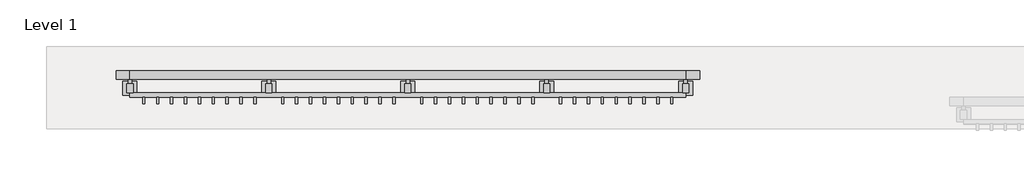
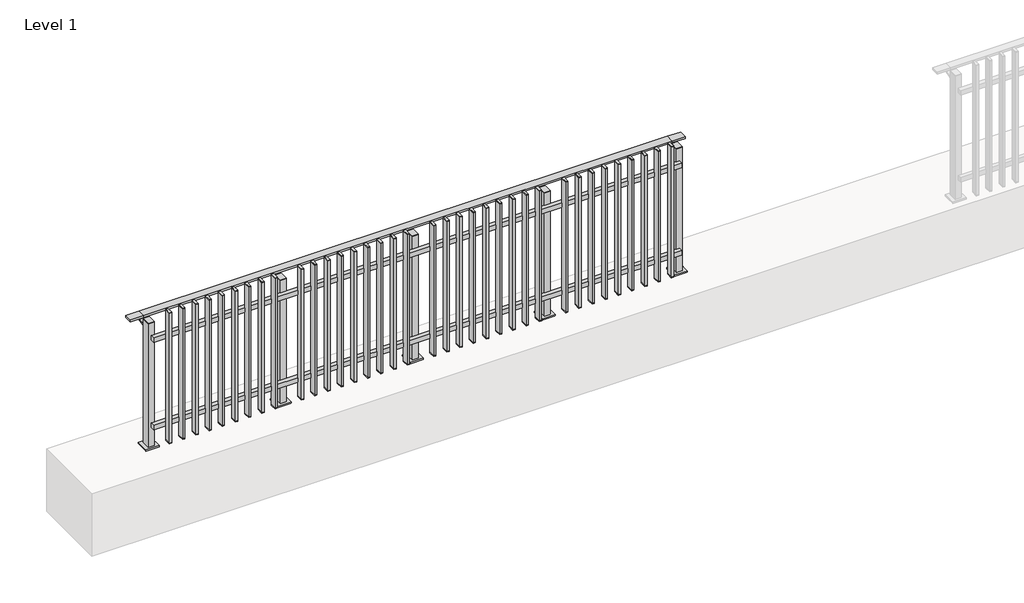
# One storey, part 5 of 17: 1 railing.
"""IFC4 building model written with IfcOpenShell, lengths in millimetres."""

from ifc_helpers import new_model, si_unit, point, frame, frame_2d, origin, origin_with_axes, place, context, project, spatial, polyline, circle_curve, trimmed, segment, composite_curve, outline, extrude, faceted_brep, element, save

model = new_model("IFC4")

# Units and contexts
model_context = context("Model", 3, world=origin())
ifc_project = project(units=[si_unit("LENGTHUNIT", "METRE", prefix="MILLI")], contexts=[model_context])

# Site, building, storey
site = spatial("IfcSite", under=ifc_project)
building = spatial("IfcBuilding", under=site)
storey = spatial("IfcBuildingStorey", under=building, Name="Level 1", Elevation=0.0)

# Railing
placement = place(None, origin())
element("IfcRailing", 1, at=placement, inside=storey, context=model_context, shape_type="SolidModel", body=[
    faceted_brep([(0.0, 2815.6846828, 985.0), (0.0, 2815.6846828, 1000.0), (4000.0, 2815.6846828, 1000.0), (4000.0, 2815.6846828, 985.0), (0.0, 2755.6846828, 985.0), (4000.0, 2755.6846828, 985.0), (0.0, 2755.6846828, 1000.0), (4000.0, 2755.6846828, 1000.0), (-100.0, 2815.6846828, 1000.0), (-100.0, 2815.6846828, 985.0), (-100.0, 2755.6846828, 985.0), (-100.0, 2755.6846828, 1000.0), (4100.0, 2815.6846828, 1000.0), (4100.0, 2755.6846828, 1000.0), (4100.0, 2755.6846828, 985.0), (4100.0, 2815.6846828, 985.0)], [[[0, 1, 2, 3]], [[4, 0, 3, 5]], [[6, 4, 5, 7]], [[1, 6, 7, 2]], [[8, 9, 10, 11]], [[9, 8, 1, 0]], [[10, 9, 0, 4]], [[11, 10, 4, 6]], [[8, 11, 6, 1]], [[12, 13, 14, 15]], [[3, 2, 12, 15]], [[5, 3, 15, 14]], [[7, 5, 14, 13]], [[2, 7, 13, 12]]]),
    extrude(outline(polyline([(0.0, 2625.6846828), (0.0, 2657.6846828), (4000.0, 2657.6846828), (4000.0, 2625.6846828), (0.0, 2625.6846828)])), frame((0.0, 0.0, 164.0), z_axis=(0.0, 0.0, 1.0), x_axis=(1.0, 0.0, 0.0)), (0.0, 0.0, 1.0), 36.0),
    extrude(outline(polyline([(0.0, 2625.6846828), (0.0, 2657.6846828), (4000.0, 2657.6846828), (4000.0, 2625.6846828), (0.0, 2625.6846828)])), frame((0.0, 0.0, 864.0), z_axis=(0.0, 0.0, 1.0), x_axis=(1.0, 0.0, 0.0)), (0.0, 0.0, 1.0), 36.0),
    extrude(outline(polyline([(3908.5, 2625.6846828), (3908.5, 2576.6846828), (3891.5, 2576.6846828), (3891.5, 2625.6846828), (3908.5, 2625.6846828)])), frame((0.0, 0.0, 50.0), z_axis=(0.0, 0.0, 1.0), x_axis=(1.0, 0.0, 0.0)), (0.0, 0.0, 1.0), 5.0),
    extrude(outline(polyline([(3908.5, 2625.6846828), (3908.5, 2576.6846828), (3891.5, 2576.6846828), (3891.5, 2625.6846828), (3908.5, 2625.6846828)])), frame((0.0, 0.0, 1095.0), z_axis=(0.0, 0.0, 1.0), x_axis=(1.0, 0.0, 0.0)), (0.0, 0.0, 1.0), 5.0),
    extrude(outline(polyline([(3891.5, 2576.6846828), (3891.5, 2625.6846828), (3908.5, 2625.6846828), (3908.5, 2576.6846828), (3891.5, 2576.6846828)])), frame((0.0, 0.0, 55.0), z_axis=(0.0, 0.0, 1.0), x_axis=(1.0, 0.0, 0.0)), (0.0, 0.0, 1.0), 1040.0),
    extrude(outline(polyline([(3808.5, 2625.6846828), (3808.5, 2576.6846828), (3791.5, 2576.6846828), (3791.5, 2625.6846828), (3808.5, 2625.6846828)])), frame((0.0, 0.0, 50.0), z_axis=(0.0, 0.0, 1.0), x_axis=(1.0, 0.0, 0.0)), (0.0, 0.0, 1.0), 5.0),
    extrude(outline(polyline([(3808.5, 2625.6846828), (3808.5, 2576.6846828), (3791.5, 2576.6846828), (3791.5, 2625.6846828), (3808.5, 2625.6846828)])), frame((0.0, 0.0, 1095.0), z_axis=(0.0, 0.0, 1.0), x_axis=(1.0, 0.0, 0.0)), (0.0, 0.0, 1.0), 5.0),
    extrude(outline(polyline([(3791.5, 2576.6846828), (3791.5, 2625.6846828), (3808.5, 2625.6846828), (3808.5, 2576.6846828), (3791.5, 2576.6846828)])), frame((0.0, 0.0, 55.0), z_axis=(0.0, 0.0, 1.0), x_axis=(1.0, 0.0, 0.0)), (0.0, 0.0, 1.0), 1040.0),
    extrude(outline(polyline([(3708.5, 2625.6846828), (3708.5, 2576.6846828), (3691.5, 2576.6846828), (3691.5, 2625.6846828), (3708.5, 2625.6846828)])), frame((0.0, 0.0, 50.0), z_axis=(0.0, 0.0, 1.0), x_axis=(1.0, 0.0, 0.0)), (0.0, 0.0, 1.0), 5.0),
    extrude(outline(polyline([(3708.5, 2625.6846828), (3708.5, 2576.6846828), (3691.5, 2576.6846828), (3691.5, 2625.6846828), (3708.5, 2625.6846828)])), frame((0.0, 0.0, 1095.0), z_axis=(0.0, 0.0, 1.0), x_axis=(1.0, 0.0, 0.0)), (0.0, 0.0, 1.0), 5.0),
    extrude(outline(polyline([(3691.5, 2576.6846828), (3691.5, 2625.6846828), (3708.5, 2625.6846828), (3708.5, 2576.6846828), (3691.5, 2576.6846828)])), frame((0.0, 0.0, 55.0), z_axis=(0.0, 0.0, 1.0), x_axis=(1.0, 0.0, 0.0)), (0.0, 0.0, 1.0), 1040.0),
    extrude(outline(polyline([(3608.5, 2625.6846828), (3608.5, 2576.6846828), (3591.5, 2576.6846828), (3591.5, 2625.6846828), (3608.5, 2625.6846828)])), frame((0.0, 0.0, 50.0), z_axis=(0.0, 0.0, 1.0), x_axis=(1.0, 0.0, 0.0)), (0.0, 0.0, 1.0), 5.0),
    extrude(outline(polyline([(3608.5, 2625.6846828), (3608.5, 2576.6846828), (3591.5, 2576.6846828), (3591.5, 2625.6846828), (3608.5, 2625.6846828)])), frame((0.0, 0.0, 1095.0), z_axis=(0.0, 0.0, 1.0), x_axis=(1.0, 0.0, 0.0)), (0.0, 0.0, 1.0), 5.0),
    extrude(outline(polyline([(3591.5, 2576.6846828), (3591.5, 2625.6846828), (3608.5, 2625.6846828), (3608.5, 2576.6846828), (3591.5, 2576.6846828)])), frame((0.0, 0.0, 55.0), z_axis=(0.0, 0.0, 1.0), x_axis=(1.0, 0.0, 0.0)), (0.0, 0.0, 1.0), 1040.0),
    extrude(outline(polyline([(3508.5, 2625.6846828), (3508.5, 2576.6846828), (3491.5, 2576.6846828), (3491.5, 2625.6846828), (3508.5, 2625.6846828)])), frame((0.0, 0.0, 50.0), z_axis=(0.0, 0.0, 1.0), x_axis=(1.0, 0.0, 0.0)), (0.0, 0.0, 1.0), 5.0),
    extrude(outline(polyline([(3508.5, 2625.6846828), (3508.5, 2576.6846828), (3491.5, 2576.6846828), (3491.5, 2625.6846828), (3508.5, 2625.6846828)])), frame((0.0, 0.0, 1095.0), z_axis=(0.0, 0.0, 1.0), x_axis=(1.0, 0.0, 0.0)), (0.0, 0.0, 1.0), 5.0),
    extrude(outline(polyline([(3491.5, 2576.6846828), (3491.5, 2625.6846828), (3508.5, 2625.6846828), (3508.5, 2576.6846828), (3491.5, 2576.6846828)])), frame((0.0, 0.0, 55.0), z_axis=(0.0, 0.0, 1.0), x_axis=(1.0, 0.0, 0.0)), (0.0, 0.0, 1.0), 1040.0),
    extrude(outline(polyline([(3408.5, 2625.6846828), (3408.5, 2576.6846828), (3391.5, 2576.6846828), (3391.5, 2625.6846828), (3408.5, 2625.6846828)])), frame((0.0, 0.0, 50.0), z_axis=(0.0, 0.0, 1.0), x_axis=(1.0, 0.0, 0.0)), (0.0, 0.0, 1.0), 5.0),
    extrude(outline(polyline([(3408.5, 2625.6846828), (3408.5, 2576.6846828), (3391.5, 2576.6846828), (3391.5, 2625.6846828), (3408.5, 2625.6846828)])), frame((0.0, 0.0, 1095.0), z_axis=(0.0, 0.0, 1.0), x_axis=(1.0, 0.0, 0.0)), (0.0, 0.0, 1.0), 5.0),
    extrude(outline(polyline([(3391.5, 2576.6846828), (3391.5, 2625.6846828), (3408.5, 2625.6846828), (3408.5, 2576.6846828), (3391.5, 2576.6846828)])), frame((0.0, 0.0, 55.0), z_axis=(0.0, 0.0, 1.0), x_axis=(1.0, 0.0, 0.0)), (0.0, 0.0, 1.0), 1040.0),
    extrude(outline(polyline([(3308.5, 2625.6846828), (3308.5, 2576.6846828), (3291.5, 2576.6846828), (3291.5, 2625.6846828), (3308.5, 2625.6846828)])), frame((0.0, 0.0, 50.0), z_axis=(0.0, 0.0, 1.0), x_axis=(1.0, 0.0, 0.0)), (0.0, 0.0, 1.0), 5.0),
    extrude(outline(polyline([(3308.5, 2625.6846828), (3308.5, 2576.6846828), (3291.5, 2576.6846828), (3291.5, 2625.6846828), (3308.5, 2625.6846828)])), frame((0.0, 0.0, 1095.0), z_axis=(0.0, 0.0, 1.0), x_axis=(1.0, 0.0, 0.0)), (0.0, 0.0, 1.0), 5.0),
    extrude(outline(polyline([(3291.5, 2576.6846828), (3291.5, 2625.6846828), (3308.5, 2625.6846828), (3308.5, 2576.6846828), (3291.5, 2576.6846828)])), frame((0.0, 0.0, 55.0), z_axis=(0.0, 0.0, 1.0), x_axis=(1.0, 0.0, 0.0)), (0.0, 0.0, 1.0), 1040.0),
    extrude(outline(polyline([(3208.5, 2625.6846828), (3208.5, 2576.6846828), (3191.5, 2576.6846828), (3191.5, 2625.6846828), (3208.5, 2625.6846828)])), frame((0.0, 0.0, 50.0), z_axis=(0.0, 0.0, 1.0), x_axis=(1.0, 0.0, 0.0)), (0.0, 0.0, 1.0), 5.0),
    extrude(outline(polyline([(3208.5, 2625.6846828), (3208.5, 2576.6846828), (3191.5, 2576.6846828), (3191.5, 2625.6846828), (3208.5, 2625.6846828)])), frame((0.0, 0.0, 1095.0), z_axis=(0.0, 0.0, 1.0), x_axis=(1.0, 0.0, 0.0)), (0.0, 0.0, 1.0), 5.0),
    extrude(outline(polyline([(3191.5, 2576.6846828), (3191.5, 2625.6846828), (3208.5, 2625.6846828), (3208.5, 2576.6846828), (3191.5, 2576.6846828)])), frame((0.0, 0.0, 55.0), z_axis=(0.0, 0.0, 1.0), x_axis=(1.0, 0.0, 0.0)), (0.0, 0.0, 1.0), 1040.0),
    extrude(outline(polyline([(3108.5, 2625.6846828), (3108.5, 2576.6846828), (3091.5, 2576.6846828), (3091.5, 2625.6846828), (3108.5, 2625.6846828)])), frame((0.0, 0.0, 50.0), z_axis=(0.0, 0.0, 1.0), x_axis=(1.0, 0.0, 0.0)), (0.0, 0.0, 1.0), 5.0),
    extrude(outline(polyline([(3108.5, 2625.6846828), (3108.5, 2576.6846828), (3091.5, 2576.6846828), (3091.5, 2625.6846828), (3108.5, 2625.6846828)])), frame((0.0, 0.0, 1095.0), z_axis=(0.0, 0.0, 1.0), x_axis=(1.0, 0.0, 0.0)), (0.0, 0.0, 1.0), 5.0),
    extrude(outline(polyline([(3091.5, 2576.6846828), (3091.5, 2625.6846828), (3108.5, 2625.6846828), (3108.5, 2576.6846828), (3091.5, 2576.6846828)])), frame((0.0, 0.0, 55.0), z_axis=(0.0, 0.0, 1.0), x_axis=(1.0, 0.0, 0.0)), (0.0, 0.0, 1.0), 1040.0),
    extrude(outline(composite_curve([segment(polyline([(2810.6846828, 985.0), (2810.6846828, 960.900037)]), True, "CONTINUOUS"), segment(trimmed(circle_curve(frame_2d((2800.6846828, 960.900037)), 10.0), [point((2810.6846828, 960.900037))], [point((2803.2728733, 951.2407787))], False, "CARTESIAN"), True, "CONTINUOUS"), segment(polyline([(2803.2728733, 951.2407787), (2746.2244733, 935.9547061)]), True, "CONTINUOUS"), segment(trimmed(circle_curve(frame_2d((2748.8126638, 926.2954478)), 10.0), [point((2746.2244733, 935.9547061))], [point((2738.8982152, 927.6007097))], True, "CARTESIAN"), True, "CONTINUOUS"), segment(polyline([(2738.8982152, 927.6007097), (2734.291393, 892.6084214)]), True, "CONTINUOUS"), segment(trimmed(circle_curve(frame_2d((2731.3170584, 893.0)), 3.0), [point((2734.291393, 892.6084214))], [point((2731.3170584, 890.0))], False, "CARTESIAN"), True, "CONTINUOUS"), segment(polyline([(2731.3170584, 890.0), (2722.6846828, 890.0), (2722.6846828, 940.0), (2786.6846828, 957.1487483), (2786.6846828, 985.0), (2810.6846828, 985.0)]), True, "CONTINUOUS")], self_intersect=False)), frame((2987.5, 0.0, 0.0), z_axis=(1.0, 0.0, 0.0), x_axis=(0.0, 1.0, 0.0)), (0.0, 0.0, 1.0), 25.0),
    extrude(outline(polyline([(3022.5, 2722.6846828), (3022.5, 2657.6846828), (2977.5, 2657.6846828), (2977.5, 2722.6846828), (3022.5, 2722.6846828)])), frame((0.0, 0.0, 1000.0), z_axis=(0.0, 0.0, 1.0), x_axis=(1.0, 0.0, 0.0)), (0.0, 0.0, 1.0), 5.0),
    extrude(outline(polyline([(3050.0, 2740.1846828), (3050.0, 2640.1846828), (2950.0, 2640.1846828), (2950.0, 2740.1846828), (3050.0, 2740.1846828)])), origin_with_axes(), (0.0, 0.0, 1.0), 12.0),
    extrude(outline(polyline([(3022.5, 2722.6846828), (3022.5, 2657.6846828), (2977.5, 2657.6846828), (2977.5, 2722.6846828), (3022.5, 2722.6846828)])), frame((0.0, 0.0, 12.0), z_axis=(0.0, 0.0, 1.0), x_axis=(1.0, 0.0, 0.0)), (0.0, 0.0, 1.0), 988.0),
    extrude(outline(polyline([(2908.5, 2625.6846828), (2908.5, 2576.6846828), (2891.5, 2576.6846828), (2891.5, 2625.6846828), (2908.5, 2625.6846828)])), frame((0.0, 0.0, 50.0), z_axis=(0.0, 0.0, 1.0), x_axis=(1.0, 0.0, 0.0)), (0.0, 0.0, 1.0), 5.0),
    extrude(outline(polyline([(2908.5, 2625.6846828), (2908.5, 2576.6846828), (2891.5, 2576.6846828), (2891.5, 2625.6846828), (2908.5, 2625.6846828)])), frame((0.0, 0.0, 1095.0), z_axis=(0.0, 0.0, 1.0), x_axis=(1.0, 0.0, 0.0)), (0.0, 0.0, 1.0), 5.0),
    extrude(outline(polyline([(2891.5, 2576.6846828), (2891.5, 2625.6846828), (2908.5, 2625.6846828), (2908.5, 2576.6846828), (2891.5, 2576.6846828)])), frame((0.0, 0.0, 55.0), z_axis=(0.0, 0.0, 1.0), x_axis=(1.0, 0.0, 0.0)), (0.0, 0.0, 1.0), 1040.0),
    extrude(outline(polyline([(2808.5, 2625.6846828), (2808.5, 2576.6846828), (2791.5, 2576.6846828), (2791.5, 2625.6846828), (2808.5, 2625.6846828)])), frame((0.0, 0.0, 50.0), z_axis=(0.0, 0.0, 1.0), x_axis=(1.0, 0.0, 0.0)), (0.0, 0.0, 1.0), 5.0),
    extrude(outline(polyline([(2808.5, 2625.6846828), (2808.5, 2576.6846828), (2791.5, 2576.6846828), (2791.5, 2625.6846828), (2808.5, 2625.6846828)])), frame((0.0, 0.0, 1095.0), z_axis=(0.0, 0.0, 1.0), x_axis=(1.0, 0.0, 0.0)), (0.0, 0.0, 1.0), 5.0),
    extrude(outline(polyline([(2791.5, 2576.6846828), (2791.5, 2625.6846828), (2808.5, 2625.6846828), (2808.5, 2576.6846828), (2791.5, 2576.6846828)])), frame((0.0, 0.0, 55.0), z_axis=(0.0, 0.0, 1.0), x_axis=(1.0, 0.0, 0.0)), (0.0, 0.0, 1.0), 1040.0),
    extrude(outline(polyline([(2708.5, 2625.6846828), (2708.5, 2576.6846828), (2691.5, 2576.6846828), (2691.5, 2625.6846828), (2708.5, 2625.6846828)])), frame((0.0, 0.0, 50.0), z_axis=(0.0, 0.0, 1.0), x_axis=(1.0, 0.0, 0.0)), (0.0, 0.0, 1.0), 5.0),
    extrude(outline(polyline([(2708.5, 2625.6846828), (2708.5, 2576.6846828), (2691.5, 2576.6846828), (2691.5, 2625.6846828), (2708.5, 2625.6846828)])), frame((0.0, 0.0, 1095.0), z_axis=(0.0, 0.0, 1.0), x_axis=(1.0, 0.0, 0.0)), (0.0, 0.0, 1.0), 5.0),
    extrude(outline(polyline([(2691.5, 2576.6846828), (2691.5, 2625.6846828), (2708.5, 2625.6846828), (2708.5, 2576.6846828), (2691.5, 2576.6846828)])), frame((0.0, 0.0, 55.0), z_axis=(0.0, 0.0, 1.0), x_axis=(1.0, 0.0, 0.0)), (0.0, 0.0, 1.0), 1040.0),
    extrude(outline(polyline([(2608.5, 2625.6846828), (2608.5, 2576.6846828), (2591.5, 2576.6846828), (2591.5, 2625.6846828), (2608.5, 2625.6846828)])), frame((0.0, 0.0, 50.0), z_axis=(0.0, 0.0, 1.0), x_axis=(1.0, 0.0, 0.0)), (0.0, 0.0, 1.0), 5.0),
    extrude(outline(polyline([(2608.5, 2625.6846828), (2608.5, 2576.6846828), (2591.5, 2576.6846828), (2591.5, 2625.6846828), (2608.5, 2625.6846828)])), frame((0.0, 0.0, 1095.0), z_axis=(0.0, 0.0, 1.0), x_axis=(1.0, 0.0, 0.0)), (0.0, 0.0, 1.0), 5.0),
    extrude(outline(polyline([(2591.5, 2576.6846828), (2591.5, 2625.6846828), (2608.5, 2625.6846828), (2608.5, 2576.6846828), (2591.5, 2576.6846828)])), frame((0.0, 0.0, 55.0), z_axis=(0.0, 0.0, 1.0), x_axis=(1.0, 0.0, 0.0)), (0.0, 0.0, 1.0), 1040.0),
    extrude(outline(polyline([(2508.5, 2625.6846828), (2508.5, 2576.6846828), (2491.5, 2576.6846828), (2491.5, 2625.6846828), (2508.5, 2625.6846828)])), frame((0.0, 0.0, 50.0), z_axis=(0.0, 0.0, 1.0), x_axis=(1.0, 0.0, 0.0)), (0.0, 0.0, 1.0), 5.0),
    extrude(outline(polyline([(2508.5, 2625.6846828), (2508.5, 2576.6846828), (2491.5, 2576.6846828), (2491.5, 2625.6846828), (2508.5, 2625.6846828)])), frame((0.0, 0.0, 1095.0), z_axis=(0.0, 0.0, 1.0), x_axis=(1.0, 0.0, 0.0)), (0.0, 0.0, 1.0), 5.0),
    extrude(outline(polyline([(2491.5, 2576.6846828), (2491.5, 2625.6846828), (2508.5, 2625.6846828), (2508.5, 2576.6846828), (2491.5, 2576.6846828)])), frame((0.0, 0.0, 55.0), z_axis=(0.0, 0.0, 1.0), x_axis=(1.0, 0.0, 0.0)), (0.0, 0.0, 1.0), 1040.0),
    extrude(outline(polyline([(2408.5, 2625.6846828), (2408.5, 2576.6846828), (2391.5, 2576.6846828), (2391.5, 2625.6846828), (2408.5, 2625.6846828)])), frame((0.0, 0.0, 50.0), z_axis=(0.0, 0.0, 1.0), x_axis=(1.0, 0.0, 0.0)), (0.0, 0.0, 1.0), 5.0),
    extrude(outline(polyline([(2408.5, 2625.6846828), (2408.5, 2576.6846828), (2391.5, 2576.6846828), (2391.5, 2625.6846828), (2408.5, 2625.6846828)])), frame((0.0, 0.0, 1095.0), z_axis=(0.0, 0.0, 1.0), x_axis=(1.0, 0.0, 0.0)), (0.0, 0.0, 1.0), 5.0),
    extrude(outline(polyline([(2391.5, 2576.6846828), (2391.5, 2625.6846828), (2408.5, 2625.6846828), (2408.5, 2576.6846828), (2391.5, 2576.6846828)])), frame((0.0, 0.0, 55.0), z_axis=(0.0, 0.0, 1.0), x_axis=(1.0, 0.0, 0.0)), (0.0, 0.0, 1.0), 1040.0),
    extrude(outline(polyline([(2308.5, 2625.6846828), (2308.5, 2576.6846828), (2291.5, 2576.6846828), (2291.5, 2625.6846828), (2308.5, 2625.6846828)])), frame((0.0, 0.0, 50.0), z_axis=(0.0, 0.0, 1.0), x_axis=(1.0, 0.0, 0.0)), (0.0, 0.0, 1.0), 5.0),
    extrude(outline(polyline([(2308.5, 2625.6846828), (2308.5, 2576.6846828), (2291.5, 2576.6846828), (2291.5, 2625.6846828), (2308.5, 2625.6846828)])), frame((0.0, 0.0, 1095.0), z_axis=(0.0, 0.0, 1.0), x_axis=(1.0, 0.0, 0.0)), (0.0, 0.0, 1.0), 5.0),
    extrude(outline(polyline([(2291.5, 2576.6846828), (2291.5, 2625.6846828), (2308.5, 2625.6846828), (2308.5, 2576.6846828), (2291.5, 2576.6846828)])), frame((0.0, 0.0, 55.0), z_axis=(0.0, 0.0, 1.0), x_axis=(1.0, 0.0, 0.0)), (0.0, 0.0, 1.0), 1040.0),
    extrude(outline(polyline([(2208.5, 2625.6846828), (2208.5, 2576.6846828), (2191.5, 2576.6846828), (2191.5, 2625.6846828), (2208.5, 2625.6846828)])), frame((0.0, 0.0, 50.0), z_axis=(0.0, 0.0, 1.0), x_axis=(1.0, 0.0, 0.0)), (0.0, 0.0, 1.0), 5.0),
    extrude(outline(polyline([(2208.5, 2625.6846828), (2208.5, 2576.6846828), (2191.5, 2576.6846828), (2191.5, 2625.6846828), (2208.5, 2625.6846828)])), frame((0.0, 0.0, 1095.0), z_axis=(0.0, 0.0, 1.0), x_axis=(1.0, 0.0, 0.0)), (0.0, 0.0, 1.0), 5.0),
    extrude(outline(polyline([(2191.5, 2576.6846828), (2191.5, 2625.6846828), (2208.5, 2625.6846828), (2208.5, 2576.6846828), (2191.5, 2576.6846828)])), frame((0.0, 0.0, 55.0), z_axis=(0.0, 0.0, 1.0), x_axis=(1.0, 0.0, 0.0)), (0.0, 0.0, 1.0), 1040.0),
    extrude(outline(polyline([(2108.5, 2625.6846828), (2108.5, 2576.6846828), (2091.5, 2576.6846828), (2091.5, 2625.6846828), (2108.5, 2625.6846828)])), frame((0.0, 0.0, 50.0), z_axis=(0.0, 0.0, 1.0), x_axis=(1.0, 0.0, 0.0)), (0.0, 0.0, 1.0), 5.0),
    extrude(outline(polyline([(2108.5, 2625.6846828), (2108.5, 2576.6846828), (2091.5, 2576.6846828), (2091.5, 2625.6846828), (2108.5, 2625.6846828)])), frame((0.0, 0.0, 1095.0), z_axis=(0.0, 0.0, 1.0), x_axis=(1.0, 0.0, 0.0)), (0.0, 0.0, 1.0), 5.0),
    extrude(outline(polyline([(2091.5, 2576.6846828), (2091.5, 2625.6846828), (2108.5, 2625.6846828), (2108.5, 2576.6846828), (2091.5, 2576.6846828)])), frame((0.0, 0.0, 55.0), z_axis=(0.0, 0.0, 1.0), x_axis=(1.0, 0.0, 0.0)), (0.0, 0.0, 1.0), 1040.0),
    extrude(outline(composite_curve([segment(polyline([(2810.6846828, 985.0), (2810.6846828, 960.900037)]), True, "CONTINUOUS"), segment(trimmed(circle_curve(frame_2d((2800.6846828, 960.900037)), 10.0), [point((2810.6846828, 960.900037))], [point((2803.2728733, 951.2407787))], False, "CARTESIAN"), True, "CONTINUOUS"), segment(polyline([(2803.2728733, 951.2407787), (2746.2244733, 935.9547061)]), True, "CONTINUOUS"), segment(trimmed(circle_curve(frame_2d((2748.8126638, 926.2954478)), 10.0), [point((2746.2244733, 935.9547061))], [point((2738.8982152, 927.6007097))], True, "CARTESIAN"), True, "CONTINUOUS"), segment(polyline([(2738.8982152, 927.6007097), (2734.291393, 892.6084214)]), True, "CONTINUOUS"), segment(trimmed(circle_curve(frame_2d((2731.3170584, 893.0)), 3.0), [point((2734.291393, 892.6084214))], [point((2731.3170584, 890.0))], False, "CARTESIAN"), True, "CONTINUOUS"), segment(polyline([(2731.3170584, 890.0), (2722.6846828, 890.0), (2722.6846828, 940.0), (2786.6846828, 957.1487483), (2786.6846828, 985.0), (2810.6846828, 985.0)]), True, "CONTINUOUS")], self_intersect=False)), frame((1987.5, 0.0, 0.0), z_axis=(1.0, 0.0, 0.0), x_axis=(0.0, 1.0, 0.0)), (0.0, 0.0, 1.0), 25.0),
    extrude(outline(polyline([(2022.5, 2722.6846828), (2022.5, 2657.6846828), (1977.5, 2657.6846828), (1977.5, 2722.6846828), (2022.5, 2722.6846828)])), frame((0.0, 0.0, 1000.0), z_axis=(0.0, 0.0, 1.0), x_axis=(1.0, 0.0, 0.0)), (0.0, 0.0, 1.0), 5.0),
    extrude(outline(polyline([(2050.0, 2740.1846828), (2050.0, 2640.1846828), (1950.0, 2640.1846828), (1950.0, 2740.1846828), (2050.0, 2740.1846828)])), origin_with_axes(), (0.0, 0.0, 1.0), 12.0),
    extrude(outline(polyline([(2022.5, 2722.6846828), (2022.5, 2657.6846828), (1977.5, 2657.6846828), (1977.5, 2722.6846828), (2022.5, 2722.6846828)])), frame((0.0, 0.0, 12.0), z_axis=(0.0, 0.0, 1.0), x_axis=(1.0, 0.0, 0.0)), (0.0, 0.0, 1.0), 988.0),
    extrude(outline(polyline([(1908.5, 2625.6846828), (1908.5, 2576.6846828), (1891.5, 2576.6846828), (1891.5, 2625.6846828), (1908.5, 2625.6846828)])), frame((0.0, 0.0, 50.0), z_axis=(0.0, 0.0, 1.0), x_axis=(1.0, 0.0, 0.0)), (0.0, 0.0, 1.0), 5.0),
    extrude(outline(polyline([(1908.5, 2625.6846828), (1908.5, 2576.6846828), (1891.5, 2576.6846828), (1891.5, 2625.6846828), (1908.5, 2625.6846828)])), frame((0.0, 0.0, 1095.0), z_axis=(0.0, 0.0, 1.0), x_axis=(1.0, 0.0, 0.0)), (0.0, 0.0, 1.0), 5.0),
    extrude(outline(polyline([(1891.5, 2576.6846828), (1891.5, 2625.6846828), (1908.5, 2625.6846828), (1908.5, 2576.6846828), (1891.5, 2576.6846828)])), frame((0.0, 0.0, 55.0), z_axis=(0.0, 0.0, 1.0), x_axis=(1.0, 0.0, 0.0)), (0.0, 0.0, 1.0), 1040.0),
    extrude(outline(polyline([(1808.5, 2625.6846828), (1808.5, 2576.6846828), (1791.5, 2576.6846828), (1791.5, 2625.6846828), (1808.5, 2625.6846828)])), frame((0.0, 0.0, 50.0), z_axis=(0.0, 0.0, 1.0), x_axis=(1.0, 0.0, 0.0)), (0.0, 0.0, 1.0), 5.0),
    extrude(outline(polyline([(1808.5, 2625.6846828), (1808.5, 2576.6846828), (1791.5, 2576.6846828), (1791.5, 2625.6846828), (1808.5, 2625.6846828)])), frame((0.0, 0.0, 1095.0), z_axis=(0.0, 0.0, 1.0), x_axis=(1.0, 0.0, 0.0)), (0.0, 0.0, 1.0), 5.0),
    extrude(outline(polyline([(1791.5, 2576.6846828), (1791.5, 2625.6846828), (1808.5, 2625.6846828), (1808.5, 2576.6846828), (1791.5, 2576.6846828)])), frame((0.0, 0.0, 55.0), z_axis=(0.0, 0.0, 1.0), x_axis=(1.0, 0.0, 0.0)), (0.0, 0.0, 1.0), 1040.0),
    extrude(outline(polyline([(1708.5, 2625.6846828), (1708.5, 2576.6846828), (1691.5, 2576.6846828), (1691.5, 2625.6846828), (1708.5, 2625.6846828)])), frame((0.0, 0.0, 50.0), z_axis=(0.0, 0.0, 1.0), x_axis=(1.0, 0.0, 0.0)), (0.0, 0.0, 1.0), 5.0),
    extrude(outline(polyline([(1708.5, 2625.6846828), (1708.5, 2576.6846828), (1691.5, 2576.6846828), (1691.5, 2625.6846828), (1708.5, 2625.6846828)])), frame((0.0, 0.0, 1095.0), z_axis=(0.0, 0.0, 1.0), x_axis=(1.0, 0.0, 0.0)), (0.0, 0.0, 1.0), 5.0),
    extrude(outline(polyline([(1691.5, 2576.6846828), (1691.5, 2625.6846828), (1708.5, 2625.6846828), (1708.5, 2576.6846828), (1691.5, 2576.6846828)])), frame((0.0, 0.0, 55.0), z_axis=(0.0, 0.0, 1.0), x_axis=(1.0, 0.0, 0.0)), (0.0, 0.0, 1.0), 1040.0),
    extrude(outline(polyline([(1608.5, 2625.6846828), (1608.5, 2576.6846828), (1591.5, 2576.6846828), (1591.5, 2625.6846828), (1608.5, 2625.6846828)])), frame((0.0, 0.0, 50.0), z_axis=(0.0, 0.0, 1.0), x_axis=(1.0, 0.0, 0.0)), (0.0, 0.0, 1.0), 5.0),
    extrude(outline(polyline([(1608.5, 2625.6846828), (1608.5, 2576.6846828), (1591.5, 2576.6846828), (1591.5, 2625.6846828), (1608.5, 2625.6846828)])), frame((0.0, 0.0, 1095.0), z_axis=(0.0, 0.0, 1.0), x_axis=(1.0, 0.0, 0.0)), (0.0, 0.0, 1.0), 5.0),
    extrude(outline(polyline([(1591.5, 2576.6846828), (1591.5, 2625.6846828), (1608.5, 2625.6846828), (1608.5, 2576.6846828), (1591.5, 2576.6846828)])), frame((0.0, 0.0, 55.0), z_axis=(0.0, 0.0, 1.0), x_axis=(1.0, 0.0, 0.0)), (0.0, 0.0, 1.0), 1040.0),
    extrude(outline(polyline([(1508.5, 2625.6846828), (1508.5, 2576.6846828), (1491.5, 2576.6846828), (1491.5, 2625.6846828), (1508.5, 2625.6846828)])), frame((0.0, 0.0, 50.0), z_axis=(0.0, 0.0, 1.0), x_axis=(1.0, 0.0, 0.0)), (0.0, 0.0, 1.0), 5.0),
    extrude(outline(polyline([(1508.5, 2625.6846828), (1508.5, 2576.6846828), (1491.5, 2576.6846828), (1491.5, 2625.6846828), (1508.5, 2625.6846828)])), frame((0.0, 0.0, 1095.0), z_axis=(0.0, 0.0, 1.0), x_axis=(1.0, 0.0, 0.0)), (0.0, 0.0, 1.0), 5.0),
    extrude(outline(polyline([(1491.5, 2576.6846828), (1491.5, 2625.6846828), (1508.5, 2625.6846828), (1508.5, 2576.6846828), (1491.5, 2576.6846828)])), frame((0.0, 0.0, 55.0), z_axis=(0.0, 0.0, 1.0), x_axis=(1.0, 0.0, 0.0)), (0.0, 0.0, 1.0), 1040.0),
    extrude(outline(polyline([(1408.5, 2625.6846828), (1408.5, 2576.6846828), (1391.5, 2576.6846828), (1391.5, 2625.6846828), (1408.5, 2625.6846828)])), frame((0.0, 0.0, 50.0), z_axis=(0.0, 0.0, 1.0), x_axis=(1.0, 0.0, 0.0)), (0.0, 0.0, 1.0), 5.0),
    extrude(outline(polyline([(1408.5, 2625.6846828), (1408.5, 2576.6846828), (1391.5, 2576.6846828), (1391.5, 2625.6846828), (1408.5, 2625.6846828)])), frame((0.0, 0.0, 1095.0), z_axis=(0.0, 0.0, 1.0), x_axis=(1.0, 0.0, 0.0)), (0.0, 0.0, 1.0), 5.0),
    extrude(outline(polyline([(1391.5, 2576.6846828), (1391.5, 2625.6846828), (1408.5, 2625.6846828), (1408.5, 2576.6846828), (1391.5, 2576.6846828)])), frame((0.0, 0.0, 55.0), z_axis=(0.0, 0.0, 1.0), x_axis=(1.0, 0.0, 0.0)), (0.0, 0.0, 1.0), 1040.0),
    extrude(outline(polyline([(1308.5, 2625.6846828), (1308.5, 2576.6846828), (1291.5, 2576.6846828), (1291.5, 2625.6846828), (1308.5, 2625.6846828)])), frame((0.0, 0.0, 50.0), z_axis=(0.0, 0.0, 1.0), x_axis=(1.0, 0.0, 0.0)), (0.0, 0.0, 1.0), 5.0),
    extrude(outline(polyline([(1308.5, 2625.6846828), (1308.5, 2576.6846828), (1291.5, 2576.6846828), (1291.5, 2625.6846828), (1308.5, 2625.6846828)])), frame((0.0, 0.0, 1095.0), z_axis=(0.0, 0.0, 1.0), x_axis=(1.0, 0.0, 0.0)), (0.0, 0.0, 1.0), 5.0),
    extrude(outline(polyline([(1291.5, 2576.6846828), (1291.5, 2625.6846828), (1308.5, 2625.6846828), (1308.5, 2576.6846828), (1291.5, 2576.6846828)])), frame((0.0, 0.0, 55.0), z_axis=(0.0, 0.0, 1.0), x_axis=(1.0, 0.0, 0.0)), (0.0, 0.0, 1.0), 1040.0),
    extrude(outline(polyline([(1208.5, 2625.6846828), (1208.5, 2576.6846828), (1191.5, 2576.6846828), (1191.5, 2625.6846828), (1208.5, 2625.6846828)])), frame((0.0, 0.0, 50.0), z_axis=(0.0, 0.0, 1.0), x_axis=(1.0, 0.0, 0.0)), (0.0, 0.0, 1.0), 5.0),
    extrude(outline(polyline([(1208.5, 2625.6846828), (1208.5, 2576.6846828), (1191.5, 2576.6846828), (1191.5, 2625.6846828), (1208.5, 2625.6846828)])), frame((0.0, 0.0, 1095.0), z_axis=(0.0, 0.0, 1.0), x_axis=(1.0, 0.0, 0.0)), (0.0, 0.0, 1.0), 5.0),
    extrude(outline(polyline([(1191.5, 2576.6846828), (1191.5, 2625.6846828), (1208.5, 2625.6846828), (1208.5, 2576.6846828), (1191.5, 2576.6846828)])), frame((0.0, 0.0, 55.0), z_axis=(0.0, 0.0, 1.0), x_axis=(1.0, 0.0, 0.0)), (0.0, 0.0, 1.0), 1040.0),
    extrude(outline(polyline([(1108.5, 2625.6846828), (1108.5, 2576.6846828), (1091.5, 2576.6846828), (1091.5, 2625.6846828), (1108.5, 2625.6846828)])), frame((0.0, 0.0, 50.0), z_axis=(0.0, 0.0, 1.0), x_axis=(1.0, 0.0, 0.0)), (0.0, 0.0, 1.0), 5.0),
    extrude(outline(polyline([(1108.5, 2625.6846828), (1108.5, 2576.6846828), (1091.5, 2576.6846828), (1091.5, 2625.6846828), (1108.5, 2625.6846828)])), frame((0.0, 0.0, 1095.0), z_axis=(0.0, 0.0, 1.0), x_axis=(1.0, 0.0, 0.0)), (0.0, 0.0, 1.0), 5.0),
    extrude(outline(polyline([(1091.5, 2576.6846828), (1091.5, 2625.6846828), (1108.5, 2625.6846828), (1108.5, 2576.6846828), (1091.5, 2576.6846828)])), frame((0.0, 0.0, 55.0), z_axis=(0.0, 0.0, 1.0), x_axis=(1.0, 0.0, 0.0)), (0.0, 0.0, 1.0), 1040.0),
    extrude(outline(composite_curve([segment(polyline([(2810.6846828, 985.0), (2810.6846828, 960.900037)]), True, "CONTINUOUS"), segment(trimmed(circle_curve(frame_2d((2800.6846828, 960.900037)), 10.0), [point((2810.6846828, 960.900037))], [point((2803.2728733, 951.2407787))], False, "CARTESIAN"), True, "CONTINUOUS"), segment(polyline([(2803.2728733, 951.2407787), (2746.2244733, 935.9547061)]), True, "CONTINUOUS"), segment(trimmed(circle_curve(frame_2d((2748.8126638, 926.2954478)), 10.0), [point((2746.2244733, 935.9547061))], [point((2738.8982152, 927.6007097))], True, "CARTESIAN"), True, "CONTINUOUS"), segment(polyline([(2738.8982152, 927.6007097), (2734.291393, 892.6084214)]), True, "CONTINUOUS"), segment(trimmed(circle_curve(frame_2d((2731.3170584, 893.0)), 3.0), [point((2734.291393, 892.6084214))], [point((2731.3170584, 890.0))], False, "CARTESIAN"), True, "CONTINUOUS"), segment(polyline([(2731.3170584, 890.0), (2722.6846828, 890.0), (2722.6846828, 940.0), (2786.6846828, 957.1487483), (2786.6846828, 985.0), (2810.6846828, 985.0)]), True, "CONTINUOUS")], self_intersect=False)), frame((987.5, 0.0, 0.0), z_axis=(1.0, 0.0, 0.0), x_axis=(0.0, 1.0, 0.0)), (0.0, 0.0, 1.0), 25.0),
    extrude(outline(polyline([(1022.5, 2722.6846828), (1022.5, 2657.6846828), (977.5, 2657.6846828), (977.5, 2722.6846828), (1022.5, 2722.6846828)])), frame((0.0, 0.0, 1000.0), z_axis=(0.0, 0.0, 1.0), x_axis=(1.0, 0.0, 0.0)), (0.0, 0.0, 1.0), 5.0),
    extrude(outline(polyline([(1050.0, 2740.1846828), (1050.0, 2640.1846828), (950.0, 2640.1846828), (950.0, 2740.1846828), (1050.0, 2740.1846828)])), origin_with_axes(), (0.0, 0.0, 1.0), 12.0),
    extrude(outline(polyline([(1022.5, 2722.6846828), (1022.5, 2657.6846828), (977.5, 2657.6846828), (977.5, 2722.6846828), (1022.5, 2722.6846828)])), frame((0.0, 0.0, 12.0), z_axis=(0.0, 0.0, 1.0), x_axis=(1.0, 0.0, 0.0)), (0.0, 0.0, 1.0), 988.0),
    extrude(outline(polyline([(908.5, 2625.6846828), (908.5, 2576.6846828), (891.5, 2576.6846828), (891.5, 2625.6846828), (908.5, 2625.6846828)])), frame((0.0, 0.0, 50.0), z_axis=(0.0, 0.0, 1.0), x_axis=(1.0, 0.0, 0.0)), (0.0, 0.0, 1.0), 5.0),
    extrude(outline(polyline([(908.5, 2625.6846828), (908.5, 2576.6846828), (891.5, 2576.6846828), (891.5, 2625.6846828), (908.5, 2625.6846828)])), frame((0.0, 0.0, 1095.0), z_axis=(0.0, 0.0, 1.0), x_axis=(1.0, 0.0, 0.0)), (0.0, 0.0, 1.0), 5.0),
    extrude(outline(polyline([(891.5, 2576.6846828), (891.5, 2625.6846828), (908.5, 2625.6846828), (908.5, 2576.6846828), (891.5, 2576.6846828)])), frame((0.0, 0.0, 55.0), z_axis=(0.0, 0.0, 1.0), x_axis=(1.0, 0.0, 0.0)), (0.0, 0.0, 1.0), 1040.0),
    extrude(outline(polyline([(808.5, 2625.6846828), (808.5, 2576.6846828), (791.5, 2576.6846828), (791.5, 2625.6846828), (808.5, 2625.6846828)])), frame((0.0, 0.0, 50.0), z_axis=(0.0, 0.0, 1.0), x_axis=(1.0, 0.0, 0.0)), (0.0, 0.0, 1.0), 5.0),
    extrude(outline(polyline([(808.5, 2625.6846828), (808.5, 2576.6846828), (791.5, 2576.6846828), (791.5, 2625.6846828), (808.5, 2625.6846828)])), frame((0.0, 0.0, 1095.0), z_axis=(0.0, 0.0, 1.0), x_axis=(1.0, 0.0, 0.0)), (0.0, 0.0, 1.0), 5.0),
    extrude(outline(polyline([(791.5, 2576.6846828), (791.5, 2625.6846828), (808.5, 2625.6846828), (808.5, 2576.6846828), (791.5, 2576.6846828)])), frame((0.0, 0.0, 55.0), z_axis=(0.0, 0.0, 1.0), x_axis=(1.0, 0.0, 0.0)), (0.0, 0.0, 1.0), 1040.0),
    extrude(outline(polyline([(708.5, 2625.6846828), (708.5, 2576.6846828), (691.5, 2576.6846828), (691.5, 2625.6846828), (708.5, 2625.6846828)])), frame((0.0, 0.0, 50.0), z_axis=(0.0, 0.0, 1.0), x_axis=(1.0, 0.0, 0.0)), (0.0, 0.0, 1.0), 5.0),
    extrude(outline(polyline([(708.5, 2625.6846828), (708.5, 2576.6846828), (691.5, 2576.6846828), (691.5, 2625.6846828), (708.5, 2625.6846828)])), frame((0.0, 0.0, 1095.0), z_axis=(0.0, 0.0, 1.0), x_axis=(1.0, 0.0, 0.0)), (0.0, 0.0, 1.0), 5.0),
    extrude(outline(polyline([(691.5, 2576.6846828), (691.5, 2625.6846828), (708.5, 2625.6846828), (708.5, 2576.6846828), (691.5, 2576.6846828)])), frame((0.0, 0.0, 55.0), z_axis=(0.0, 0.0, 1.0), x_axis=(1.0, 0.0, 0.0)), (0.0, 0.0, 1.0), 1040.0),
    extrude(outline(polyline([(608.5, 2625.6846828), (608.5, 2576.6846828), (591.5, 2576.6846828), (591.5, 2625.6846828), (608.5, 2625.6846828)])), frame((0.0, 0.0, 50.0), z_axis=(0.0, 0.0, 1.0), x_axis=(1.0, 0.0, 0.0)), (0.0, 0.0, 1.0), 5.0),
    extrude(outline(polyline([(608.5, 2625.6846828), (608.5, 2576.6846828), (591.5, 2576.6846828), (591.5, 2625.6846828), (608.5, 2625.6846828)])), frame((0.0, 0.0, 1095.0), z_axis=(0.0, 0.0, 1.0), x_axis=(1.0, 0.0, 0.0)), (0.0, 0.0, 1.0), 5.0),
    extrude(outline(polyline([(591.5, 2576.6846828), (591.5, 2625.6846828), (608.5, 2625.6846828), (608.5, 2576.6846828), (591.5, 2576.6846828)])), frame((0.0, 0.0, 55.0), z_axis=(0.0, 0.0, 1.0), x_axis=(1.0, 0.0, 0.0)), (0.0, 0.0, 1.0), 1040.0),
    extrude(outline(polyline([(508.5, 2625.6846828), (508.5, 2576.6846828), (491.5, 2576.6846828), (491.5, 2625.6846828), (508.5, 2625.6846828)])), frame((0.0, 0.0, 50.0), z_axis=(0.0, 0.0, 1.0), x_axis=(1.0, 0.0, 0.0)), (0.0, 0.0, 1.0), 5.0),
    extrude(outline(polyline([(508.5, 2625.6846828), (508.5, 2576.6846828), (491.5, 2576.6846828), (491.5, 2625.6846828), (508.5, 2625.6846828)])), frame((0.0, 0.0, 1095.0), z_axis=(0.0, 0.0, 1.0), x_axis=(1.0, 0.0, 0.0)), (0.0, 0.0, 1.0), 5.0),
    extrude(outline(polyline([(491.5, 2576.6846828), (491.5, 2625.6846828), (508.5, 2625.6846828), (508.5, 2576.6846828), (491.5, 2576.6846828)])), frame((0.0, 0.0, 55.0), z_axis=(0.0, 0.0, 1.0), x_axis=(1.0, 0.0, 0.0)), (0.0, 0.0, 1.0), 1040.0),
    extrude(outline(polyline([(408.5, 2625.6846828), (408.5, 2576.6846828), (391.5, 2576.6846828), (391.5, 2625.6846828), (408.5, 2625.6846828)])), frame((0.0, 0.0, 50.0), z_axis=(0.0, 0.0, 1.0), x_axis=(1.0, 0.0, 0.0)), (0.0, 0.0, 1.0), 5.0),
    extrude(outline(polyline([(408.5, 2625.6846828), (408.5, 2576.6846828), (391.5, 2576.6846828), (391.5, 2625.6846828), (408.5, 2625.6846828)])), frame((0.0, 0.0, 1095.0), z_axis=(0.0, 0.0, 1.0), x_axis=(1.0, 0.0, 0.0)), (0.0, 0.0, 1.0), 5.0),
    extrude(outline(polyline([(391.5, 2576.6846828), (391.5, 2625.6846828), (408.5, 2625.6846828), (408.5, 2576.6846828), (391.5, 2576.6846828)])), frame((0.0, 0.0, 55.0), z_axis=(0.0, 0.0, 1.0), x_axis=(1.0, 0.0, 0.0)), (0.0, 0.0, 1.0), 1040.0),
    extrude(outline(polyline([(308.5, 2625.6846828), (308.5, 2576.6846828), (291.5, 2576.6846828), (291.5, 2625.6846828), (308.5, 2625.6846828)])), frame((0.0, 0.0, 50.0), z_axis=(0.0, 0.0, 1.0), x_axis=(1.0, 0.0, 0.0)), (0.0, 0.0, 1.0), 5.0),
    extrude(outline(polyline([(308.5, 2625.6846828), (308.5, 2576.6846828), (291.5, 2576.6846828), (291.5, 2625.6846828), (308.5, 2625.6846828)])), frame((0.0, 0.0, 1095.0), z_axis=(0.0, 0.0, 1.0), x_axis=(1.0, 0.0, 0.0)), (0.0, 0.0, 1.0), 5.0),
    extrude(outline(polyline([(291.5, 2576.6846828), (291.5, 2625.6846828), (308.5, 2625.6846828), (308.5, 2576.6846828), (291.5, 2576.6846828)])), frame((0.0, 0.0, 55.0), z_axis=(0.0, 0.0, 1.0), x_axis=(1.0, 0.0, 0.0)), (0.0, 0.0, 1.0), 1040.0),
    extrude(outline(polyline([(208.5, 2625.6846828), (208.5, 2576.6846828), (191.5, 2576.6846828), (191.5, 2625.6846828), (208.5, 2625.6846828)])), frame((0.0, 0.0, 50.0), z_axis=(0.0, 0.0, 1.0), x_axis=(1.0, 0.0, 0.0)), (0.0, 0.0, 1.0), 5.0),
    extrude(outline(polyline([(208.5, 2625.6846828), (208.5, 2576.6846828), (191.5, 2576.6846828), (191.5, 2625.6846828), (208.5, 2625.6846828)])), frame((0.0, 0.0, 1095.0), z_axis=(0.0, 0.0, 1.0), x_axis=(1.0, 0.0, 0.0)), (0.0, 0.0, 1.0), 5.0),
    extrude(outline(polyline([(191.5, 2576.6846828), (191.5, 2625.6846828), (208.5, 2625.6846828), (208.5, 2576.6846828), (191.5, 2576.6846828)])), frame((0.0, 0.0, 55.0), z_axis=(0.0, 0.0, 1.0), x_axis=(1.0, 0.0, 0.0)), (0.0, 0.0, 1.0), 1040.0),
    extrude(outline(polyline([(108.5, 2625.6846828), (108.5, 2576.6846828), (91.5, 2576.6846828), (91.5, 2625.6846828), (108.5, 2625.6846828)])), frame((0.0, 0.0, 50.0), z_axis=(0.0, 0.0, 1.0), x_axis=(1.0, 0.0, 0.0)), (0.0, 0.0, 1.0), 5.0),
    extrude(outline(polyline([(108.5, 2625.6846828), (108.5, 2576.6846828), (91.5, 2576.6846828), (91.5, 2625.6846828), (108.5, 2625.6846828)])), frame((0.0, 0.0, 1095.0), z_axis=(0.0, 0.0, 1.0), x_axis=(1.0, 0.0, 0.0)), (0.0, 0.0, 1.0), 5.0),
    extrude(outline(polyline([(91.5, 2576.6846828), (91.5, 2625.6846828), (108.5, 2625.6846828), (108.5, 2576.6846828), (91.5, 2576.6846828)])), frame((0.0, 0.0, 55.0), z_axis=(0.0, 0.0, 1.0), x_axis=(1.0, 0.0, 0.0)), (0.0, 0.0, 1.0), 1040.0),
    extrude(outline(composite_curve([segment(polyline([(2810.6846828, 985.0), (2810.6846828, 960.900037)]), True, "CONTINUOUS"), segment(trimmed(circle_curve(frame_2d((2800.6846828, 960.900037)), 10.0), [point((2810.6846828, 960.900037))], [point((2803.2728733, 951.2407787))], False, "CARTESIAN"), True, "CONTINUOUS"), segment(polyline([(2803.2728733, 951.2407787), (2746.2244733, 935.9547061)]), True, "CONTINUOUS"), segment(trimmed(circle_curve(frame_2d((2748.8126638, 926.2954478)), 10.0), [point((2746.2244733, 935.9547061))], [point((2738.8982152, 927.6007097))], True, "CARTESIAN"), True, "CONTINUOUS"), segment(polyline([(2738.8982152, 927.6007097), (2734.291393, 892.6084214)]), True, "CONTINUOUS"), segment(trimmed(circle_curve(frame_2d((2731.3170584, 893.0)), 3.0), [point((2734.291393, 892.6084214))], [point((2731.3170584, 890.0))], False, "CARTESIAN"), True, "CONTINUOUS"), segment(polyline([(2731.3170584, 890.0), (2722.6846828, 890.0), (2722.6846828, 940.0), (2786.6846828, 957.1487483), (2786.6846828, 985.0), (2810.6846828, 985.0)]), True, "CONTINUOUS")], self_intersect=False)), frame((3987.5, 0.0, 0.0), z_axis=(1.0, 0.0, 0.0), x_axis=(0.0, 1.0, 0.0)), (0.0, 0.0, 1.0), 25.0),
    extrude(outline(polyline([(4022.5, 2722.6846828), (4022.5, 2657.6846828), (3977.5, 2657.6846828), (3977.5, 2722.6846828), (4022.5, 2722.6846828)])), frame((0.0, 0.0, 1000.0), z_axis=(0.0, 0.0, 1.0), x_axis=(1.0, 0.0, 0.0)), (0.0, 0.0, 1.0), 5.0),
    extrude(outline(polyline([(4050.0, 2740.1846828), (4050.0, 2640.1846828), (3950.0, 2640.1846828), (3950.0, 2740.1846828), (4050.0, 2740.1846828)])), origin_with_axes(), (0.0, 0.0, 1.0), 12.0),
    extrude(outline(polyline([(4022.5, 2722.6846828), (4022.5, 2657.6846828), (3977.5, 2657.6846828), (3977.5, 2722.6846828), (4022.5, 2722.6846828)])), frame((0.0, 0.0, 12.0), z_axis=(0.0, 0.0, 1.0), x_axis=(1.0, 0.0, 0.0)), (0.0, 0.0, 1.0), 988.0),
    extrude(outline(composite_curve([segment(polyline([(2810.6846828, 985.0), (2810.6846828, 960.900037)]), True, "CONTINUOUS"), segment(trimmed(circle_curve(frame_2d((2800.6846828, 960.900037)), 10.0), [point((2810.6846828, 960.900037))], [point((2803.2728733, 951.2407787))], False, "CARTESIAN"), True, "CONTINUOUS"), segment(polyline([(2803.2728733, 951.2407787), (2746.2244733, 935.9547061)]), True, "CONTINUOUS"), segment(trimmed(circle_curve(frame_2d((2748.8126638, 926.2954478)), 10.0), [point((2746.2244733, 935.9547061))], [point((2738.8982152, 927.6007097))], True, "CARTESIAN"), True, "CONTINUOUS"), segment(polyline([(2738.8982152, 927.6007097), (2734.291393, 892.6084214)]), True, "CONTINUOUS"), segment(trimmed(circle_curve(frame_2d((2731.3170584, 893.0)), 3.0), [point((2734.291393, 892.6084214))], [point((2731.3170584, 890.0))], False, "CARTESIAN"), True, "CONTINUOUS"), segment(polyline([(2731.3170584, 890.0), (2722.6846828, 890.0), (2722.6846828, 940.0), (2786.6846828, 957.1487483), (2786.6846828, 985.0), (2810.6846828, 985.0)]), True, "CONTINUOUS")], self_intersect=False)), frame((-12.5, 0.0, 0.0), z_axis=(1.0, 0.0, 0.0), x_axis=(0.0, 1.0, 0.0)), (0.0, 0.0, 1.0), 25.0),
    extrude(outline(polyline([(22.5, 2722.6846828), (22.5, 2657.6846828), (-22.5, 2657.6846828), (-22.5, 2722.6846828), (22.5, 2722.6846828)])), frame((0.0, 0.0, 1000.0), z_axis=(0.0, 0.0, 1.0), x_axis=(1.0, 0.0, 0.0)), (0.0, 0.0, 1.0), 5.0),
    extrude(outline(polyline([(50.0, 2740.1846828), (50.0, 2640.1846828), (-50.0, 2640.1846828), (-50.0, 2740.1846828), (50.0, 2740.1846828)])), origin_with_axes(), (0.0, 0.0, 1.0), 12.0),
    extrude(outline(polyline([(22.5, 2722.6846828), (22.5, 2657.6846828), (-22.5, 2657.6846828), (-22.5, 2722.6846828), (22.5, 2722.6846828)])), frame((0.0, 0.0, 12.0), z_axis=(0.0, 0.0, 1.0), x_axis=(1.0, 0.0, 0.0)), (0.0, 0.0, 1.0), 988.0),
])

save(model, "model.ifc")
